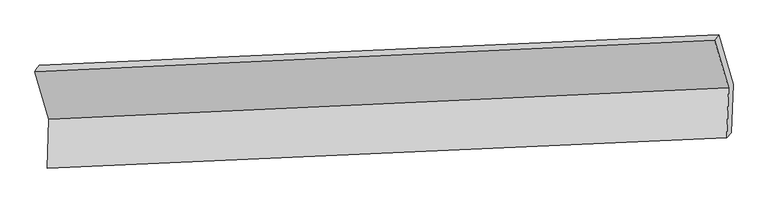
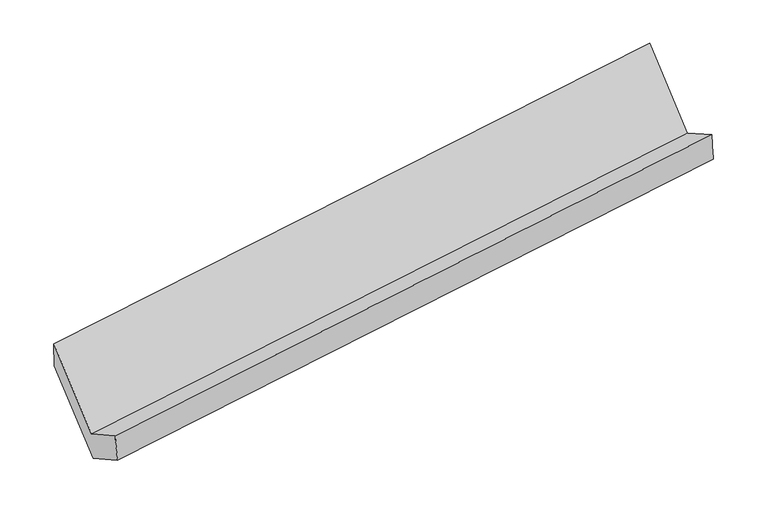
"""IFC4 building model written with IfcOpenShell, lengths in millimetres: proxy geometry."""

import ifcopenshell
import ifcopenshell.guid

model = None  # the IFC model being written
_history = None  # IfcOwnerHistory: only IFC2X3 demands one
_inside = {}  # id of a spatial element -> (the spatial element, [elements in it])
_under = {}  # id of a project, library or spatial element -> (it, [spatial elements below it])
_declared = {}  # id of a project -> (the project, [libraries it declares])
_typed = {}  # id of a type object -> (the type object, [elements of that type])
_made_of = {}  # id of a material, layer set ... -> (it, [elements and type objects made of it])


def new_model(schema):
    """Start an empty IFC model of exactly this schema.

    Asked for "IFC4X3", IfcOpenShell would pick the latest addendum, in which some entities
    have other attributes; the version numbers below select the first issue.
    IFC2X3 requires an IfcOwnerHistory on every rooted entity: one is made here for all.
    """
    global model, _history
    if schema == "IFC4X3":
        model = ifcopenshell.file(schema_version=(4, 3, 0, 0))
    else:
        model = ifcopenshell.file(schema=schema)
    _inside.clear()
    _under.clear()
    _declared.clear()
    _typed.clear()
    _made_of.clear()
    _history = None
    if model.schema == "IFC2X3":
        org = make("IfcOrganization", Name="unknown")
        user = make(
            "IfcPersonAndOrganization",
            ThePerson=make("IfcPerson", FamilyName="unknown"),
            TheOrganization=org,
        )
        app = make(
            "IfcApplication",
            ApplicationDeveloper=org,
            Version="unknown",
            ApplicationFullName="unknown",
            ApplicationIdentifier="unknown",
        )
        _history = make(
            "IfcOwnerHistory",
            OwningUser=user,
            OwningApplication=app,
            ChangeAction="ADDED",
            CreationDate=0,
        )
    return model


def make(cls, **values):
    """One entity of the class cls with the attributes given. An attribute that is None is left unset."""
    return model.create_entity(
        cls, **{name: value for name, value in values.items() if value is not None}
    )


def rooted(cls, **values):
    """An entity with a GlobalId (a new one), such as an element, a storey or a relation."""
    return make(cls, GlobalId=ifcopenshell.guid.new(), OwnerHistory=_history, **values)


def si_unit(unit_type, name, prefix=None):
    """IfcSIUnit, for example si_unit("LENGTHUNIT", "METRE", prefix="MILLI")."""
    return make("IfcSIUnit", UnitType=unit_type, Prefix=prefix, Name=name)


def assignment(units):
    """IfcUnitAssignment: the units of a project."""
    return None if units is None else make("IfcUnitAssignment", Units=units)


def point(xyz):
    """IfcCartesianPoint."""
    return None if xyz is None else make("IfcCartesianPoint", Coordinates=xyz)


def direction(xyz):
    """IfcDirection."""
    return None if xyz is None else make("IfcDirection", DirectionRatios=xyz)


def frame(location, z_axis=None, x_axis=None):
    """IfcAxis2Placement3D, a coordinate frame: its origin and axes. An axis left out is left unset."""
    return make(
        "IfcAxis2Placement3D",
        Location=point(location),
        Axis=direction(z_axis),
        RefDirection=direction(x_axis),
    )


def origin():
    """The frame at (0, 0, 0) with its axes left unset."""
    return frame((0.0, 0.0, 0.0))


def place(relative_to, where):
    """IfcLocalPlacement: puts the frame where relative to a parent placement (None: the world)."""
    return make(
        "IfcLocalPlacement", PlacementRelTo=relative_to, RelativePlacement=where
    )


def context(
    kind, dimensions, precision=None, world=None, true_north=None, identifier=None
):
    """IfcGeometricRepresentationContext, for example the 3D "Model" context."""
    return make(
        "IfcGeometricRepresentationContext",
        ContextIdentifier=identifier,
        ContextType=kind,
        CoordinateSpaceDimension=dimensions,
        Precision=precision,
        WorldCoordinateSystem=world,
        TrueNorth=true_north,
    )


def project(units=None, contexts=None):
    """IfcProject with its units and contexts."""
    return rooted(
        "IfcProject",
        Name="project",
        RepresentationContexts=contexts,
        UnitsInContext=assignment(units),
    )


def spatial(cls, under=None, at=None, **own):
    """A site, building, storey or space (cls), placed at a placement, below another one or the project."""
    s = rooted(cls, ObjectPlacement=at, **own)
    if under is not None:
        _under.setdefault(under.id(), (under, []))[1].append(s)
    return s


def shape(context_of_items, identifier, shape_type, items):
    """IfcShapeRepresentation: the items that make up one representation, for example the "Body"."""
    return make(
        "IfcShapeRepresentation",
        ContextOfItems=context_of_items,
        RepresentationIdentifier=identifier,
        RepresentationType=shape_type,
        Items=items,
    )


def source(mapping_origin, context_of_items, identifier, shape_type, items):
    """IfcRepresentationMap: a shape defined once, which mapped items show again and again."""
    return make(
        "IfcRepresentationMap",
        MappingOrigin=mapping_origin,
        MappedRepresentation=shape(context_of_items, identifier, shape_type, items),
    )


def transform(
    local_origin,
    x_axis=None,
    y_axis=None,
    z_axis=None,
    scale=None,
    scale2=None,
    scale3=None,
    uniform=True,
):
    """IfcCartesianTransformationOperator3D, or its non-uniform kind. x_axis, y_axis, z_axis: its Axis1, 2, 3."""
    if uniform:
        return make(
            "IfcCartesianTransformationOperator3D",
            Axis1=direction(x_axis),
            Axis2=direction(y_axis),
            LocalOrigin=point(local_origin),
            Scale=scale,
            Axis3=direction(z_axis),
        )
    return make(
        "IfcCartesianTransformationOperator3DnonUniform",
        Axis1=direction(x_axis),
        Axis2=direction(y_axis),
        LocalOrigin=point(local_origin),
        Scale=scale,
        Axis3=direction(z_axis),
        Scale2=scale2,
        Scale3=scale3,
    )


def mapped(mapping_source, mapping_target):
    """IfcMappedItem: shows the shape of a source again, moved by a transform."""
    return make(
        "IfcMappedItem", MappingSource=mapping_source, MappingTarget=mapping_target
    )


def made_of(thing, what):
    """Note that an element or type object is made of a material, layer set ...; save() writes the relation."""
    if what is not None:
        _made_of.setdefault(what.id(), (what, []))[1].append(thing)
    return thing


def element(
    cls,
    number,
    at=None,
    inside=None,
    cuts=None,
    type_object=None,
    material=None,
    context=None,
    identifier="Body",
    shape_type=None,
    held_by="IfcProductDefinitionShape",
    body=None,
    shapes=None,
    **own,
):
    """One element of the class cls, such as IfcWall. Its Tag is "e" and its number.

    at: its placement. inside: the storey or other place that contains it. cuts: it is an
    opening in that element (IfcRelVoidsElement). A single representation is given by context,
    identifier, shape_type and body (its items); several are given by shapes. held_by: the class
    of the entity that holds the representations. save() writes the other relations.
    """
    e = rooted(cls, Tag="e%d" % number, ObjectPlacement=at, **own)
    if body is not None:
        shapes = [shape(context, identifier, shape_type, body)]
    if shapes is not None:
        e.Representation = make(held_by, Representations=shapes)
    if inside is not None:
        _inside.setdefault(inside.id(), (inside, []))[1].append(e)
    if cuts is not None:
        rooted(
            "IfcRelVoidsElement", RelatingBuildingElement=cuts, RelatedOpeningElement=e
        )
    if type_object is not None:
        _typed.setdefault(type_object.id(), (type_object, []))[1].append(e)
    return made_of(e, material)


def aggregate(whole, parts):
    """IfcRelAggregates: a whole, such as a stair, and the parts it consists of."""
    return rooted("IfcRelAggregates", RelatingObject=whole, RelatedObjects=parts)


def save(model, path):
    """Write the relations noted so far, then the file.

    IfcRelAggregates (storeys below a building ...), IfcRelContainedInSpatialStructure (elements
    in a storey), IfcRelDefinesByType, IfcRelAssociatesMaterial and IfcRelDeclares: one each for
    every whole, place, type object, material and project.
    """
    for whole, parts in _under.values():
        aggregate(whole, parts)
    for where, things in _inside.values():
        rooted(
            "IfcRelContainedInSpatialStructure",
            RelatedElements=things,
            RelatingStructure=where,
        )
    for kind, things in _typed.values():
        rooted("IfcRelDefinesByType", RelatedObjects=things, RelatingType=kind)
    for what, things in _made_of.values():
        rooted("IfcRelAssociatesMaterial", RelatedObjects=things, RelatingMaterial=what)
    for by, libraries in _declared.values():
        rooted("IfcRelDeclares", RelatingContext=by, RelatedDefinitions=libraries)
    model.write(path)


def plane_surface(at):
    """IfcPlane: the flat surface through the origin of the frame at, square to its z axis."""
    return make("IfcPlane", Position=at)


def spline_surface(u_degree, v_degree, points, u_multiplicities, v_multiplicities, u_knots, v_knots, weights=None):
    """IfcBSplineSurfaceWithKnots; with weights, IfcRationalBSplineSurfaceWithKnots. points: one row for each step in u."""
    own = dict(
        UDegree=u_degree,
        VDegree=v_degree,
        ControlPointsList=[[point(p) for p in row] for row in points],
        SurfaceForm="UNSPECIFIED",
        UClosed=False,
        VClosed=False,
        SelfIntersect=False,
        UMultiplicities=u_multiplicities,
        VMultiplicities=v_multiplicities,
        UKnots=u_knots,
        VKnots=v_knots,
        KnotSpec="UNSPECIFIED",
    )
    if weights is None:
        return make("IfcBSplineSurfaceWithKnots", **own)
    return make("IfcRationalBSplineSurfaceWithKnots", WeightsData=weights, **own)


def advanced_brep(points, edges, surfaces, faces):
    """IfcAdvancedBrep: a solid bounded by faces that lie on surfaces and meet in shared edges.

    An edge is (start, end): straight between two places in points (the first is 0);
    or (start, end, curve); or (start, end, curve, False) where it runs against its curve.
    A face is (place in surfaces, loops), or (place, loops, False) where it looks against
    its surface's normal. A loop lists edges by number (the first is 1), with a minus sign
    where the edge is run from its end to its start. The first loop is the outer one.
    """
    corners = [point(p) for p in points]
    vertices = [make("IfcVertexPoint", VertexGeometry=c) for c in corners]
    made = []
    for start, end, *more in edges:
        made.append(
            make(
                "IfcEdgeCurve",
                EdgeStart=vertices[start],
                EdgeEnd=vertices[end],
                EdgeGeometry=more[0] if more else make("IfcPolyline", Points=[corners[start], corners[end]]),
                SameSense=more[1] if len(more) > 1 else True,
            )
        )
    hull = []
    for where, loops, *sense in faces:
        bounds = []
        for j, loop in enumerate(loops):
            ring = [make("IfcOrientedEdge", EdgeElement=made[abs(k) - 1], Orientation=k > 0) for k in loop]
            bounds.append(
                make(
                    "IfcFaceOuterBound" if j == 0 else "IfcFaceBound",
                    Bound=make("IfcEdgeLoop", EdgeList=ring),
                    Orientation=True,
                )
            )
        hull.append(make("IfcAdvancedFace", Bounds=bounds, FaceSurface=surfaces[where], SameSense=sense[0] if sense else True))
    return make("IfcAdvancedBrep", Outer=make("IfcClosedShell", CfsFaces=hull))


def generic_models_7ce205cb(model_context):
    return source(origin(), model_context, "Body", "AdvancedBrep", [
        advanced_brep(
        [(-5192.5447294, -1627.8946804, 1449.6247785), (-5204.7079121, -1964.9021879, 1645.1067916), (-499.4580113, -1755.6782144, 2318.5127423), (-486.9827831, -1410.0248042, 2118.0156526), (-5173.4794077, -1939.4887165, 1419.7258874), (-467.9174614, -1721.6188403, 2088.1167615), (-5161.0041794, -1593.8353063, 1219.2287976), (-455.7542787, -1384.6113328, 1892.6347484), (-5260.9933301, -1252.388165, 1801.6561112), (-555.7434294, -1043.1641915, 2475.0620619), (-5289.6037929, -1296.4533236, 2014.9846123), (-584.0418466, -1078.5834474, 2683.3754864)],
        [
            (0, 1),
            (1, 2),
            (2, 3),
            (3, 0),
            (1, 4),
            (4, 5),
            (5, 2),
            (4, 6),
            (6, 7),
            (7, 5),
            (6, 8),
            (8, 9),
            (9, 7),
            (8, 10),
            (10, 11),
            (11, 9),
            (10, 0),
            (3, 11),
        ],
        [
            plane_surface(frame((-5198.6263208, -1796.3984342, 1547.365785), z_axis=(-0.14442593090993322, 0.5003865766799547, 0.8536711453243075), x_axis=(-0.031204555455067912, -0.8645902733416304, 0.5015076619174391))),
            spline_surface(1, 1, [[(-5204.7079121, -1964.9021879, 1645.1067916), (-499.4580113, -1755.6782144, 2318.5127423)], [(-5173.4794077, -1939.4887165, 1419.7258874), (-467.9174614, -1721.6188403, 2088.1167615)]], [2, 2], [2, 2], [0.0, 1.0], [0.0, 1.0]),
            plane_surface(frame((-5167.2417936, -1766.6620114, 1319.4773425), z_axis=(0.14442593090993533, -0.5003865766799548, -0.8536711453243073), x_axis=(0.031204555455067833, 0.8645902733416304, -0.5015076619174393))),
            plane_surface(frame((-5210.9987548, -1423.1117356, 1510.4424544), z_axis=(0.033282591231697696, 0.8646868209727245, -0.5012075126701387), x_axis=(-0.1465043592138958, 0.500289224372746, 0.8533739887691927))),
            spline_surface(1, 1, [[(-5260.9933301, -1252.388165, 1801.6561112), (-555.7434294, -1043.1641915, 2475.0620619)], [(-5289.6037929, -1296.4533236, 2014.9846123), (-584.0418466, -1078.5834474, 2683.3754864)]], [2, 2], [2, 2], [0.0, 1.0], [0.0, 1.0]),
            plane_surface(frame((-5241.0742612, -1462.174002, 1732.3046954), z_axis=(-0.031204555455065133, -0.8645902733416355, 0.5015076619174306), x_axis=(0.1465043592138925, -0.5002892243727297, -0.8533739887692027))),
            plane_surface(frame((-508.3163017, -1398.9468051, 2262.6195755), z_axis=(0.9887177294102594, 0.046843902693615144, 0.14227754682398894), x_axis=(-0.1327382611622224, -0.166139696048683, 0.9771275021308534))),
            plane_surface(frame((-5213.7222253, -1612.4937299, 1591.7211631), z_axis=(-0.9887177294102585, -0.046843902693603445, -0.14227754682399876), x_axis=(-0.1465043592138948, 0.5002892243727395, 0.8533739887691967))),
        ],
        [
            (0, [[1, 2, 3, 4]]),
            (1, [[5, 6, 7, -2]]),
            (2, [[8, 9, 10, -6]]),
            (3, [[11, 12, 13, -9]]),
            (4, [[14, 15, 16, -12]]),
            (5, [[17, -4, 18, -15]]),
            (6, [[-16, -18, -3, -7, -10, -13]]),
            (7, [[-17, -14, -11, -8, -5, -1]]),
        ],
    ),
    ])


if __name__ == "__main__":
    model = new_model("IFC4")
    model_context = context("Model", 3, world=origin())
    ifc_project = project(units=[si_unit("LENGTHUNIT", "METRE", prefix="MILLI")], contexts=[model_context])
    site = spatial("IfcSite", under=ifc_project)
    building = spatial("IfcBuilding", under=site)
    placement = place(None, origin())
    generic_models_shape = generic_models_7ce205cb(model_context)
    element("IfcBuildingElementProxy", 1, Name="Generic Models", at=placement, inside=building, context=model_context, shape_type="MappedRepresentation", body=[
        mapped(generic_models_shape, transform((0.0, 0.0, 0.0), x_axis=(1.0, 0.0, 0.0), y_axis=(0.0, 1.0, 0.0), z_axis=(0.0, 0.0, 1.0))),
    ])
    save(model, "model.ifc")
